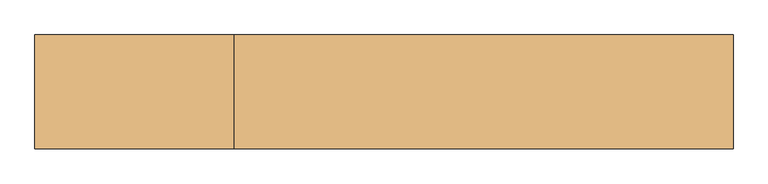
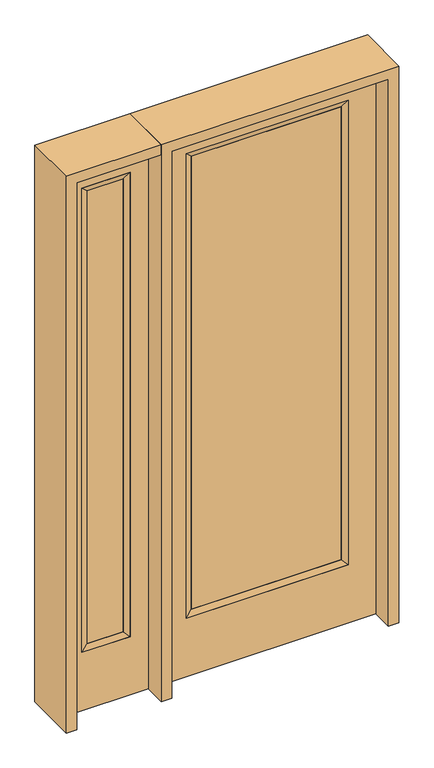
"""IFC4 building model written with IfcOpenShell, lengths in millimetres: door geometry."""

import ifcopenshell
import ifcopenshell.guid

model = None  # the IFC model being written
_history = None  # IfcOwnerHistory: only IFC2X3 demands one
_inside = {}  # id of a spatial element -> (the spatial element, [elements in it])
_under = {}  # id of a project, library or spatial element -> (it, [spatial elements below it])
_declared = {}  # id of a project -> (the project, [libraries it declares])
_typed = {}  # id of a type object -> (the type object, [elements of that type])
_made_of = {}  # id of a material, layer set ... -> (it, [elements and type objects made of it])


def new_model(schema):
    """Start an empty IFC model of exactly this schema.

    Asked for "IFC4X3", IfcOpenShell would pick the latest addendum, in which some entities
    have other attributes; the version numbers below select the first issue.
    IFC2X3 requires an IfcOwnerHistory on every rooted entity: one is made here for all.
    """
    global model, _history
    if schema == "IFC4X3":
        model = ifcopenshell.file(schema_version=(4, 3, 0, 0))
    else:
        model = ifcopenshell.file(schema=schema)
    _inside.clear()
    _under.clear()
    _declared.clear()
    _typed.clear()
    _made_of.clear()
    _history = None
    if model.schema == "IFC2X3":
        org = make("IfcOrganization", Name="unknown")
        user = make(
            "IfcPersonAndOrganization",
            ThePerson=make("IfcPerson", FamilyName="unknown"),
            TheOrganization=org,
        )
        app = make(
            "IfcApplication",
            ApplicationDeveloper=org,
            Version="unknown",
            ApplicationFullName="unknown",
            ApplicationIdentifier="unknown",
        )
        _history = make(
            "IfcOwnerHistory",
            OwningUser=user,
            OwningApplication=app,
            ChangeAction="ADDED",
            CreationDate=0,
        )
    return model


def make(cls, **values):
    """One entity of the class cls with the attributes given. An attribute that is None is left unset."""
    return model.create_entity(
        cls, **{name: value for name, value in values.items() if value is not None}
    )


def rooted(cls, **values):
    """An entity with a GlobalId (a new one), such as an element, a storey or a relation."""
    return make(cls, GlobalId=ifcopenshell.guid.new(), OwnerHistory=_history, **values)


def si_unit(unit_type, name, prefix=None):
    """IfcSIUnit, for example si_unit("LENGTHUNIT", "METRE", prefix="MILLI")."""
    return make("IfcSIUnit", UnitType=unit_type, Prefix=prefix, Name=name)


def assignment(units):
    """IfcUnitAssignment: the units of a project."""
    return None if units is None else make("IfcUnitAssignment", Units=units)


def point(xyz):
    """IfcCartesianPoint."""
    return None if xyz is None else make("IfcCartesianPoint", Coordinates=xyz)


def direction(xyz):
    """IfcDirection."""
    return None if xyz is None else make("IfcDirection", DirectionRatios=xyz)


def frame(location, z_axis=None, x_axis=None):
    """IfcAxis2Placement3D, a coordinate frame: its origin and axes. An axis left out is left unset."""
    return make(
        "IfcAxis2Placement3D",
        Location=point(location),
        Axis=direction(z_axis),
        RefDirection=direction(x_axis),
    )


def origin():
    """The frame at (0, 0, 0) with its axes left unset."""
    return frame((0.0, 0.0, 0.0))


def place(relative_to, where):
    """IfcLocalPlacement: puts the frame where relative to a parent placement (None: the world)."""
    return make(
        "IfcLocalPlacement", PlacementRelTo=relative_to, RelativePlacement=where
    )


def context(
    kind, dimensions, precision=None, world=None, true_north=None, identifier=None
):
    """IfcGeometricRepresentationContext, for example the 3D "Model" context."""
    return make(
        "IfcGeometricRepresentationContext",
        ContextIdentifier=identifier,
        ContextType=kind,
        CoordinateSpaceDimension=dimensions,
        Precision=precision,
        WorldCoordinateSystem=world,
        TrueNorth=true_north,
    )


def project(units=None, contexts=None):
    """IfcProject with its units and contexts."""
    return rooted(
        "IfcProject",
        Name="project",
        RepresentationContexts=contexts,
        UnitsInContext=assignment(units),
    )


def spatial(cls, under=None, at=None, **own):
    """A site, building, storey or space (cls), placed at a placement, below another one or the project."""
    s = rooted(cls, ObjectPlacement=at, **own)
    if under is not None:
        _under.setdefault(under.id(), (under, []))[1].append(s)
    return s


def polyline(points):
    """IfcPolyline through the points."""
    return make("IfcPolyline", Points=[point(p) for p in points])


def outline(outer, holes=None, kind="AREA"):
    """IfcArbitraryClosedProfileDef: a profile drawn as a closed curve; with holes, ...WithVoids."""
    if holes is None:
        return make("IfcArbitraryClosedProfileDef", ProfileType=kind, OuterCurve=outer)
    return make(
        "IfcArbitraryProfileDefWithVoids",
        ProfileType=kind,
        OuterCurve=outer,
        InnerCurves=holes,
    )


def extrude(swept, where, along, depth):
    """IfcExtrudedAreaSolid: the profile swept, set in the frame where, extruded along a direction by depth."""
    return make(
        "IfcExtrudedAreaSolid",
        SweptArea=swept,
        Position=where,
        ExtrudedDirection=direction(along),
        Depth=depth,
    )


def faces_of(points, faces, orient=None, outer=None):
    """IfcFace entities. A face is a list of loops; a loop is a list of indices into points, from 0.

    orient and outer hold one flag for each loop. By default every Orientation is true, the
    first loop of a face is its IfcFaceOuterBound and the others are IfcFaceBound.
    """
    made = []
    for i, loops in enumerate(faces):
        bounds = []
        for j, loop in enumerate(loops):
            is_outer = j == 0 if outer is None else outer[i][j]
            bounds.append(
                make(
                    "IfcFaceOuterBound" if is_outer else "IfcFaceBound",
                    Bound=make("IfcPolyLoop", Polygon=[points[k] for k in loop]),
                    Orientation=True if orient is None else orient[i][j],
                )
            )
        made.append(make("IfcFace", Bounds=bounds))
    return made


def faceted_brep(points, faces, orient=None, outer=None, voids=None):
    """IfcFacetedBrep: a solid bounded by flat faces; with voids (closed shells), ...WithVoids."""
    shared = [point(p) for p in points]
    hull = make("IfcClosedShell", CfsFaces=faces_of(shared, faces, orient, outer))
    if voids is None:
        return make("IfcFacetedBrep", Outer=hull)
    return make(
        "IfcFacetedBrepWithVoids",
        Outer=hull,
        Voids=[
            make(cls, CfsFaces=faces_of(shared, fs, o, b)) for cls, fs, o, b in voids
        ],
    )


def shape(context_of_items, identifier, shape_type, items):
    """IfcShapeRepresentation: the items that make up one representation, for example the "Body"."""
    return make(
        "IfcShapeRepresentation",
        ContextOfItems=context_of_items,
        RepresentationIdentifier=identifier,
        RepresentationType=shape_type,
        Items=items,
    )


def source(mapping_origin, context_of_items, identifier, shape_type, items):
    """IfcRepresentationMap: a shape defined once, which mapped items show again and again."""
    return make(
        "IfcRepresentationMap",
        MappingOrigin=mapping_origin,
        MappedRepresentation=shape(context_of_items, identifier, shape_type, items),
    )


def transform(
    local_origin,
    x_axis=None,
    y_axis=None,
    z_axis=None,
    scale=None,
    scale2=None,
    scale3=None,
    uniform=True,
):
    """IfcCartesianTransformationOperator3D, or its non-uniform kind. x_axis, y_axis, z_axis: its Axis1, 2, 3."""
    if uniform:
        return make(
            "IfcCartesianTransformationOperator3D",
            Axis1=direction(x_axis),
            Axis2=direction(y_axis),
            LocalOrigin=point(local_origin),
            Scale=scale,
            Axis3=direction(z_axis),
        )
    return make(
        "IfcCartesianTransformationOperator3DnonUniform",
        Axis1=direction(x_axis),
        Axis2=direction(y_axis),
        LocalOrigin=point(local_origin),
        Scale=scale,
        Axis3=direction(z_axis),
        Scale2=scale2,
        Scale3=scale3,
    )


def mapped(mapping_source, mapping_target):
    """IfcMappedItem: shows the shape of a source again, moved by a transform."""
    return make(
        "IfcMappedItem", MappingSource=mapping_source, MappingTarget=mapping_target
    )


def made_of(thing, what):
    """Note that an element or type object is made of a material, layer set ...; save() writes the relation."""
    if what is not None:
        _made_of.setdefault(what.id(), (what, []))[1].append(thing)
    return thing


def element(
    cls,
    number,
    at=None,
    inside=None,
    cuts=None,
    type_object=None,
    material=None,
    context=None,
    identifier="Body",
    shape_type=None,
    held_by="IfcProductDefinitionShape",
    body=None,
    shapes=None,
    **own,
):
    """One element of the class cls, such as IfcWall. Its Tag is "e" and its number.

    at: its placement. inside: the storey or other place that contains it. cuts: it is an
    opening in that element (IfcRelVoidsElement). A single representation is given by context,
    identifier, shape_type and body (its items); several are given by shapes. held_by: the class
    of the entity that holds the representations. save() writes the other relations.
    """
    e = rooted(cls, Tag="e%d" % number, ObjectPlacement=at, **own)
    if body is not None:
        shapes = [shape(context, identifier, shape_type, body)]
    if shapes is not None:
        e.Representation = make(held_by, Representations=shapes)
    if inside is not None:
        _inside.setdefault(inside.id(), (inside, []))[1].append(e)
    if cuts is not None:
        rooted(
            "IfcRelVoidsElement", RelatingBuildingElement=cuts, RelatedOpeningElement=e
        )
    if type_object is not None:
        _typed.setdefault(type_object.id(), (type_object, []))[1].append(e)
    return made_of(e, material)


def aggregate(whole, parts):
    """IfcRelAggregates: a whole, such as a stair, and the parts it consists of."""
    return rooted("IfcRelAggregates", RelatingObject=whole, RelatedObjects=parts)


def save(model, path):
    """Write the relations noted so far, then the file.

    IfcRelAggregates (storeys below a building ...), IfcRelContainedInSpatialStructure (elements
    in a storey), IfcRelDefinesByType, IfcRelAssociatesMaterial and IfcRelDeclares: one each for
    every whole, place, type object, material and project.
    """
    for whole, parts in _under.values():
        aggregate(whole, parts)
    for where, things in _inside.values():
        rooted(
            "IfcRelContainedInSpatialStructure",
            RelatedElements=things,
            RelatingStructure=where,
        )
    for kind, things in _typed.values():
        rooted("IfcRelDefinesByType", RelatedObjects=things, RelatingType=kind)
    for what, things in _made_of.values():
        rooted("IfcRelAssociatesMaterial", RelatedObjects=things, RelatingMaterial=what)
    for by, libraries in _declared.values():
        rooted("IfcRelDeclares", RelatingContext=by, RelatedDefinitions=libraries)
    model.write(path)


def door_767aabaf(model_context):
    return source(origin(), model_context, "Body", "SolidModel", [
        extrude(outline(polyline([(316.3824, -12.7039749), (-316.3824, -12.7039749), (-316.3824, 14.2875), (316.3824, 14.2875), (316.3824, -12.7039749)])), frame((0.0, 0.0, 285.75), z_axis=(0.0, 0.0, 1.0), x_axis=(1.0, 0.0, 0.0)), (0.0, 0.0, 1.0), 2019.3),
        faceted_brep([(316.3824, 14.2875, 2305.05), (341.7824, 22.225, 2330.45), (341.7824, 22.225, 260.35), (316.3824, 14.2875, 285.75), (341.7824, -22.225, 2330.45), (341.7824, -22.225, 260.35), (-341.7824, 22.225, 260.35), (-316.3824, 14.2875, 285.75), (316.3824, -12.7039749, 2305.05), (316.3824, -12.7039749, 285.75), (-316.3824, -12.7039749, 285.75), (-341.7824, -22.225, 260.35), (-341.7824, 22.225, 2330.45), (-316.3824, 14.2875, 2305.05), (-316.3824, -12.7039749, 2305.05), (-341.7824, -22.225, 2330.45)], [[[0, 1, 2, 3]], [[1, 4, 5, 2]], [[3, 2, 6, 7]], [[8, 0, 3, 9]], [[9, 3, 7, 10]], [[4, 8, 9, 5]], [[5, 9, 10, 11]], [[2, 5, 11, 6]], [[7, 6, 12, 13]], [[10, 7, 13, 14]], [[11, 10, 14, 15]], [[6, 11, 15, 12]], [[13, 12, 1, 0]], [[14, 13, 0, 8]], [[15, 14, 8, 4]], [[12, 15, 4, 1]]]),
        extrude(outline(polyline([(0.0, -457.2), (0.0, 457.2), (2438.4, 457.2), (2438.4, -457.2), (0.0, -457.2)]), holes=[polyline([(260.35, -341.7824), (2330.45, -341.7824), (2330.45, 341.7824), (260.35, 341.7824), (260.35, -341.7824)])]), frame((0.0, -22.225, 0.0), z_axis=(0.0, 1.0, 0.0), x_axis=(0.0, 0.0, 1.0)), (0.0, 0.0, 1.0), 44.45),
        faceted_brep([(-577.85, 20.6375, 2330.45), (-577.85, -20.6375, 2330.45), (-577.85, -20.6375, 260.35), (-577.85, 20.6375, 260.35), (-603.25, -12.7, 2305.05), (-603.25, -12.7, 285.75), (-781.05, -20.6375, 260.35), (-781.05, 20.6375, 260.35), (-603.25, 12.7, 2305.05), (-603.25, 12.7, 285.75), (-755.65, 12.7, 285.75), (-755.65, -12.7, 285.75), (-781.05, -20.6375, 2330.45), (-781.05, 20.6375, 2330.45), (-755.65, 12.7, 2305.05), (-755.65, -12.7, 2305.05)], [[[0, 1, 2, 3]], [[1, 4, 5, 2]], [[3, 2, 6, 7]], [[8, 0, 3, 9]], [[9, 3, 7, 10]], [[4, 8, 9, 5]], [[5, 9, 10, 11]], [[2, 5, 11, 6]], [[7, 6, 12, 13]], [[10, 7, 13, 14]], [[11, 10, 14, 15]], [[6, 11, 15, 12]], [[13, 12, 1, 0]], [[14, 13, 0, 8]], [[15, 14, 8, 4]], [[12, 15, 4, 1]]]),
        extrude(outline(polyline([(0.0, -857.25), (0.0, -501.65), (2438.4, -501.65), (2438.4, -857.25), (0.0, -857.25)]), holes=[polyline([(2330.45, -577.85), (260.35, -577.85), (260.35, -781.05), (2330.45, -781.05), (2330.45, -577.85)])]), frame((0.0, -20.6375, 0.0), z_axis=(0.0, 1.0, 0.0), x_axis=(0.0, 0.0, 1.0)), (0.0, 0.0, 1.0), 41.275),
        extrude(outline(polyline([(-603.25, -12.7), (-755.65, -12.7), (-755.65, 12.7), (-603.25, 12.7), (-603.25, -12.7)])), frame((0.0, 0.0, 284.95625), z_axis=(0.0, 0.0, 1.0), x_axis=(1.0, 0.0, 0.0)), (0.0, 0.0, 1.0), 2020.09375),
        extrude(outline(polyline([(2438.4, -501.65), (2482.85, -501.65), (2482.85, -901.7), (0.0, -901.7), (0.0, -857.25), (2438.4, -857.25), (2438.4, -501.65)])), frame((0.0, -114.3, 0.0), z_axis=(0.0, 1.0, 0.0), x_axis=(0.0, 0.0, 1.0)), (0.0, 0.0, 1.0), 228.6),
        extrude(outline(polyline([(2482.85, -501.65), (0.0, -501.65), (0.0, -457.2), (2438.4, -457.2), (2438.4, 457.2), (0.0, 457.2), (0.0, 501.65), (2482.85, 501.65), (2482.85, -501.65)])), frame((0.0, -114.3, 0.0), z_axis=(0.0, 1.0, 0.0), x_axis=(0.0, 0.0, 1.0)), (0.0, 0.0, 1.0), 228.6),
    ])


if __name__ == "__main__":
    model = new_model("IFC4")
    model_context = context("Model", 3, world=origin())
    ifc_project = project(units=[si_unit("LENGTHUNIT", "METRE", prefix="MILLI")], contexts=[model_context])
    site = spatial("IfcSite", under=ifc_project)
    building = spatial("IfcBuilding", under=site)
    placement = place(None, origin())
    door_shape = door_767aabaf(model_context)
    element("IfcDoor", 1, at=placement, inside=building, context=model_context, shape_type="MappedRepresentation", body=[
        mapped(door_shape, transform((0.0, 0.0, 0.0), x_axis=(1.0, 0.0, 0.0), y_axis=(0.0, 1.0, 0.0), z_axis=(0.0, 0.0, 1.0))),
    ])
    save(model, "model.ifc")
